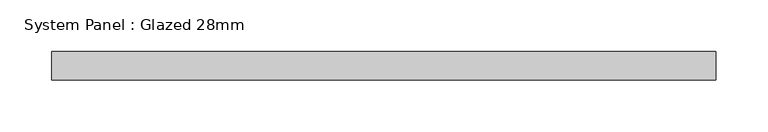
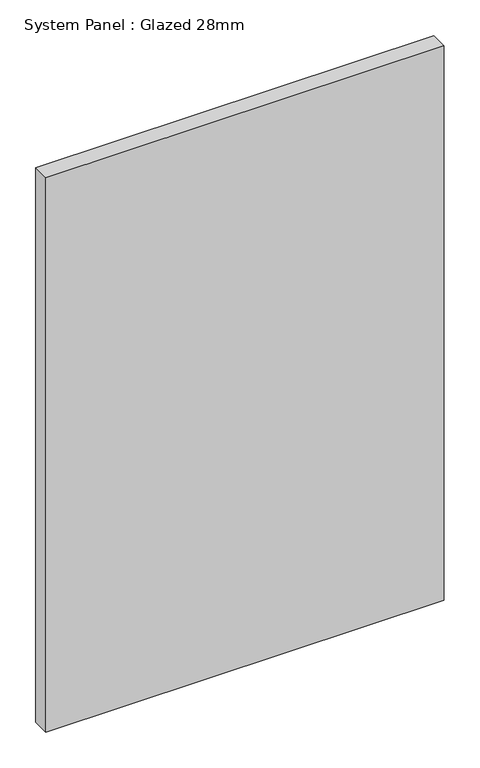
"""IFC4 building model written with IfcOpenShell, lengths in millimetres: plate geometry, System Panel : Glazed 28mm."""

from ifc_helpers import new_model, si_unit, origin, origin_with_axes, place, context, project, spatial, polyline, outline, extrude, source, transform, mapped, element, save


def system_panel_glazed_28mm_6bce73a5(model_context):
    return source(origin(), model_context, "Body", "SweptSolid", [
        extrude(outline(polyline([(322.5993924, -14.0), (-322.5993924, -14.0), (-322.5993924, 14.0), (322.5993924, 14.0), (322.5993924, -14.0)])), origin_with_axes(), (0.0, 0.0, 1.0), 948.7002048),
    ])


if __name__ == "__main__":
    model = new_model("IFC4")
    model_context = context("Model", 3, world=origin())
    ifc_project = project(units=[si_unit("LENGTHUNIT", "METRE", prefix="MILLI")], contexts=[model_context])
    site = spatial("IfcSite", under=ifc_project)
    building = spatial("IfcBuilding", under=site)
    placement = place(None, origin())
    system_panel_glazed_28mm_shape = system_panel_glazed_28mm_6bce73a5(model_context)
    element("IfcPlate", 1, ObjectType="System Panel : Glazed 28mm", at=placement, inside=building, context=model_context, shape_type="MappedRepresentation", body=[
        mapped(system_panel_glazed_28mm_shape, transform((0.0, 0.0, 0.0), x_axis=(1.0, 0.0, 0.0), y_axis=(0.0, 1.0, 0.0), z_axis=(0.0, 0.0, 1.0))),
    ])
    save(model, "model.ifc")
